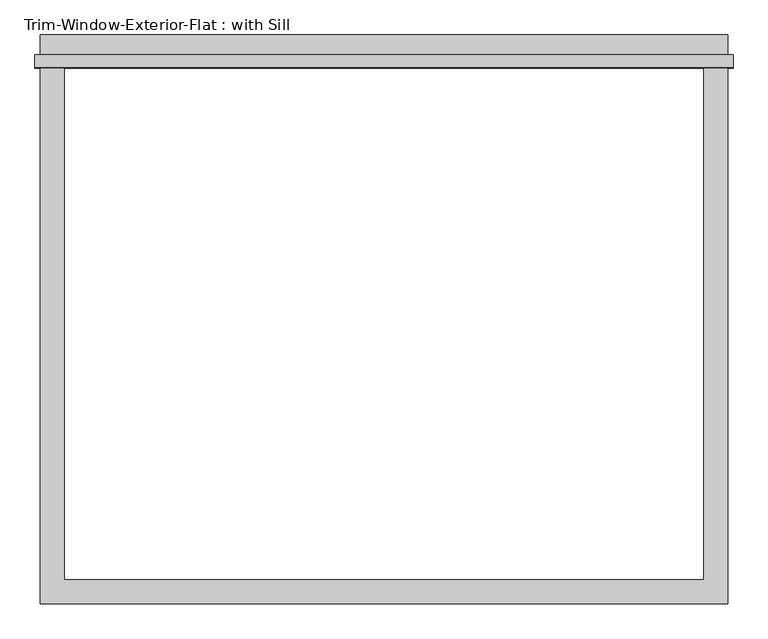
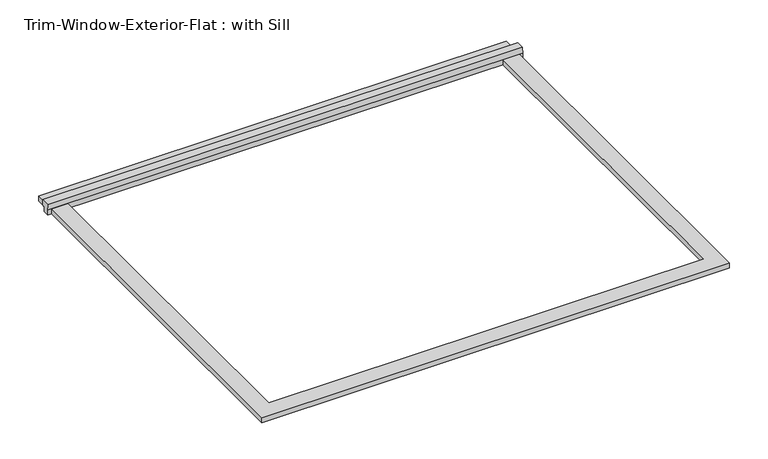
"""IFC4 building model written with IfcOpenShell, lengths in millimetres: proxy geometry, Trim-Window-Exterior-Flat : with Sill."""

from ifc_helpers import new_model, si_unit, frame, origin, origin_with_axes, place, context, project, spatial, polyline, outline, extrude, source, transform, mapped, element, save


def trim_window_exterior_flat_with_sill_59c7181e(model_context):
    return source(origin(), model_context, "Body", "SweptSolid", [
        extrude(outline(polyline([(819.15, 1241.3823709), (-819.15, 1241.3823709), (-819.15, 1298.5323709), (819.15, 1298.5323709), (819.15, 1241.3823709)])), origin_with_axes(), (0.0, 0.0, 1.0), 19.05),
        extrude(outline(polyline([(1250.95, 38.1), (1250.95, 19.05), (1241.3823709, 19.05), (1241.3823709, 0.0), (1219.2, 0.0), (1219.2, 19.05), (1221.6580645, 38.1), (1250.95, 38.1)])), frame((-831.85, 0.0, 0.0), z_axis=(1.0, 0.0, 0.0), x_axis=(0.0, 1.0, 0.0)), (0.0, 0.0, 1.0), 1663.7),
        extrude(outline(polyline([(-819.15, -57.15), (-819.15, 1219.2), (-762.0, 1219.2), (-762.0, 0.0), (762.0, 0.0), (762.0, 1219.2), (819.15, 1219.2), (819.15, -57.15), (-819.15, -57.15)])), origin_with_axes(), (0.0, 0.0, 1.0), 19.05),
    ])


if __name__ == "__main__":
    model = new_model("IFC4")
    model_context = context("Model", 3, world=origin())
    ifc_project = project(units=[si_unit("LENGTHUNIT", "METRE", prefix="MILLI")], contexts=[model_context])
    site = spatial("IfcSite", under=ifc_project)
    building = spatial("IfcBuilding", under=site)
    placement = place(None, origin())
    trim_window_exterior_flat_with_sill_shape = trim_window_exterior_flat_with_sill_59c7181e(model_context)
    element("IfcBuildingElementProxy", 1, Name="Trim-Window-Exterior-Flat : with Sill", ObjectType="Trim-Window-Exterior-Flat : with Sill", at=placement, inside=building, context=model_context, shape_type="MappedRepresentation", body=[
        mapped(trim_window_exterior_flat_with_sill_shape, transform((0.0, 0.0, 0.0), x_axis=(1.0, 0.0, 0.0), y_axis=(0.0, 1.0, 0.0), z_axis=(0.0, 0.0, 1.0))),
    ])
    save(model, "model.ifc")
